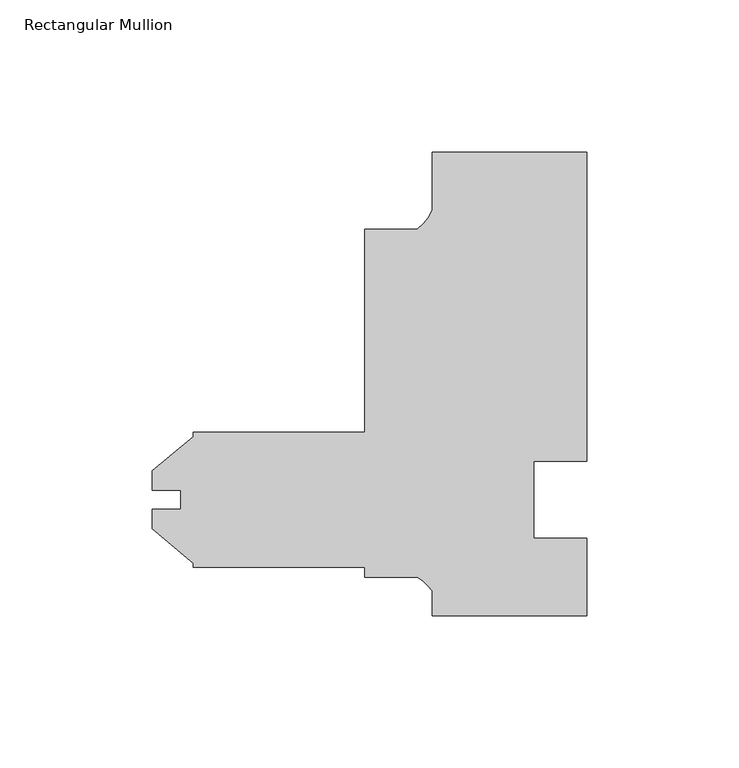
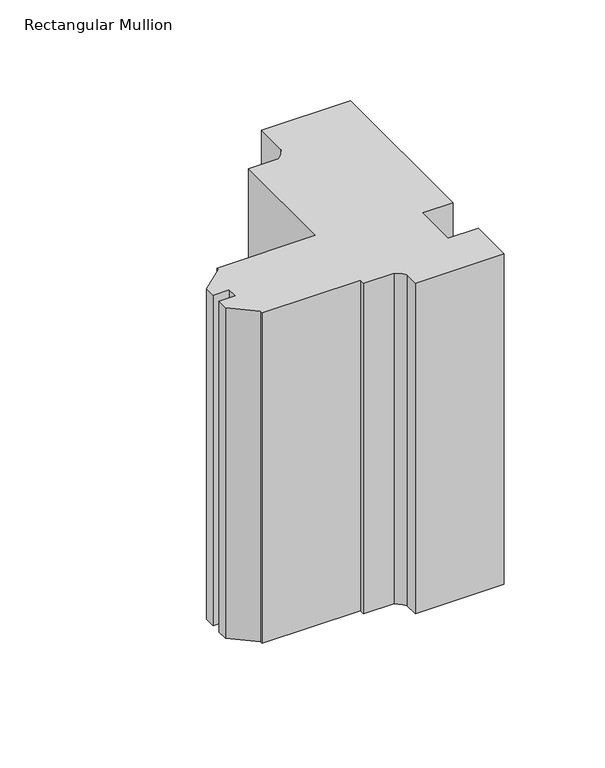
"""IFC4 building model written with IfcOpenShell, lengths in millimetres: member geometry, Rectangular Mullion."""

from ifc_helpers import new_model, si_unit, point, frame, frame_2d, origin, place, context, project, spatial, polyline, circle_curve, trimmed, segment, composite_curve, outline, extrude, source, transform, mapped, element, save


def rectangular_mullion_85d9af44(model_context):
    return source(origin(), model_context, "Body", "SweptSolid", [
        extrude(outline(composite_curve([segment(polyline([(0.0, 152.4), (0.0, 50.8), (-17.4498, 50.8), (-17.4498, 25.4), (0.0, 25.4), (-1.02e-05, 0.0), (-50.8000102, 0.0), (-50.8000102, 8.1515407)]), True, "CONTINUOUS"), segment(trimmed(circle_curve(frame_2d((-62.7094465, 0.1243368)), 14.3621265), [point((-50.8000102, 8.1515407))], [point((-55.7723453, 12.7))], True, "CARTESIAN"), True, "CONTINUOUS"), segment(polyline([(-55.7723453, 12.7), (-73.025, 12.7), (-73.025, 15.875), (-129.38125, 15.875), (-129.38125, 17.2691667), (-142.84325, 28.565126), (-142.84325, 34.9353979), (-133.4476459, 34.9353979), (-133.4476459, 41.2595221), (-142.84325, 41.2595221), (-142.84325, 47.629794), (-129.38125, 58.9257533), (-129.38125, 60.325), (-73.025, 60.325), (-73.025, 127.0), (-55.6934851, 127.0)]), True, "CONTINUOUS"), segment(trimmed(circle_curve(frame_2d((-64.9144624, 139.281361)), 15.3576772), [point((-55.6934851, 127.0))], [point((-50.8, 133.228246))], True, "CARTESIAN"), True, "CONTINUOUS"), segment(polyline([(-50.8, 133.228246), (-50.8, 152.4), (0.0, 152.4)]), True, "CONTINUOUS")], self_intersect=False)), frame((0.0, 0.0, -200.05675), z_axis=(0.0, 0.0, 1.0), x_axis=(1.0, 0.0, 0.0)), (0.0, 0.0, 1.0), 200.05675),
    ])


if __name__ == "__main__":
    model = new_model("IFC4")
    model_context = context("Model", 3, world=origin())
    ifc_project = project(units=[si_unit("LENGTHUNIT", "METRE", prefix="MILLI")], contexts=[model_context])
    site = spatial("IfcSite", under=ifc_project)
    building = spatial("IfcBuilding", under=site)
    placement = place(None, origin())
    rectangular_mullion_shape = rectangular_mullion_85d9af44(model_context)
    element("IfcMember", 1, ObjectType="Rectangular Mullion", at=placement, inside=building, context=model_context, shape_type="MappedRepresentation", body=[
        mapped(rectangular_mullion_shape, transform((0.0, 0.0, 0.0), x_axis=(1.0, 0.0, 0.0), y_axis=(0.0, 1.0, 0.0), z_axis=(0.0, 0.0, 1.0))),
    ])
    save(model, "model.ifc")
